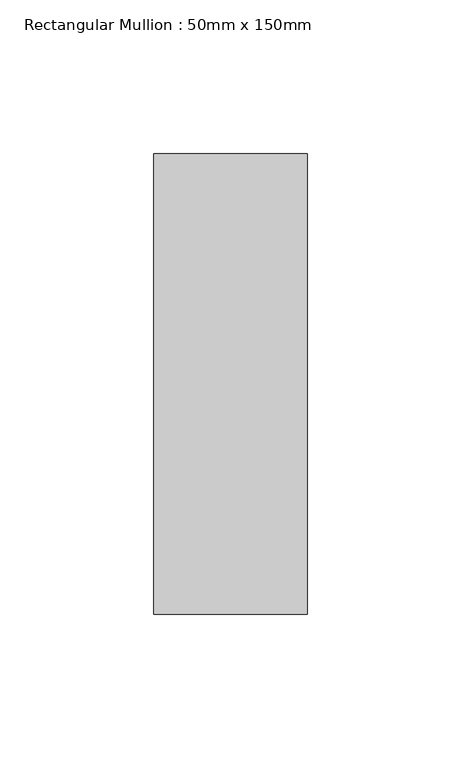
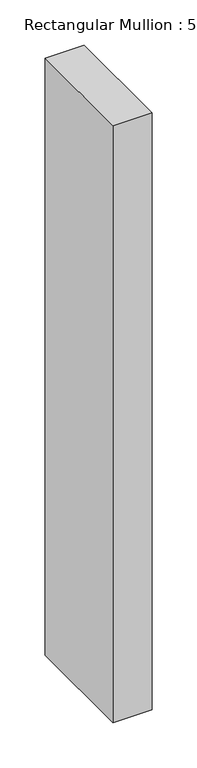
"""IFC4 building model written with IfcOpenShell, lengths in millimetres: member geometry, Rectangular Mullion : 50mm x 150mm."""

from ifc_helpers import new_model, si_unit, frame, origin, place, context, project, spatial, polyline, outline, extrude, source, transform, mapped, element, save


def rectangular_mullion_50mm_x_150mm_fc6d2d40(model_context):
    return source(origin(), model_context, "Body", "SweptSolid", [
        extrude(outline(polyline([(0.0, 75.0), (0.0, -75.0), (-50.0, -75.0), (-50.0, 75.0), (0.0, 75.0)])), frame((0.0, 0.0, -806.4285714), z_axis=(0.0, 0.0, 1.0), x_axis=(1.0, 0.0, 0.0)), (0.0, 0.0, 1.0), 806.4285714),
    ])


if __name__ == "__main__":
    model = new_model("IFC4")
    model_context = context("Model", 3, world=origin())
    ifc_project = project(units=[si_unit("LENGTHUNIT", "METRE", prefix="MILLI")], contexts=[model_context])
    site = spatial("IfcSite", under=ifc_project)
    building = spatial("IfcBuilding", under=site)
    placement = place(None, origin())
    rectangular_mullion_50mm_x_150mm_shape = rectangular_mullion_50mm_x_150mm_fc6d2d40(model_context)
    element("IfcMember", 1, ObjectType="Rectangular Mullion : 50mm x 150mm", at=placement, inside=building, context=model_context, shape_type="MappedRepresentation", body=[
        mapped(rectangular_mullion_50mm_x_150mm_shape, transform((0.0, 0.0, 0.0), x_axis=(1.0, 0.0, 0.0), y_axis=(0.0, 1.0, 0.0), z_axis=(0.0, 0.0, 1.0))),
    ])
    save(model, "model.ifc")
